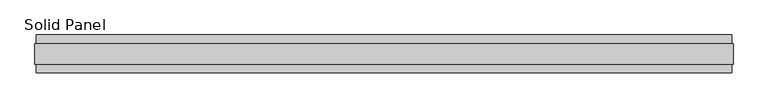
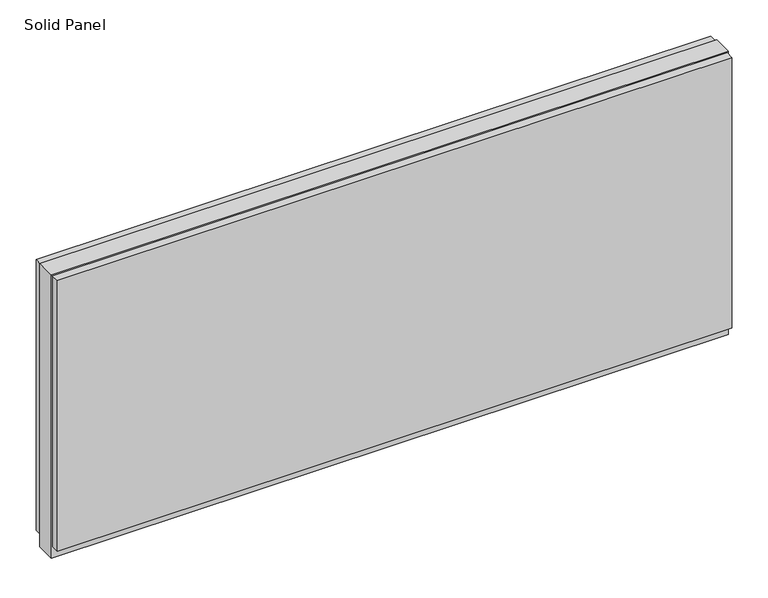
"""IFC4 building model written with IfcOpenShell, lengths in millimetres: plate geometry, Solid Panel."""

from ifc_helpers import new_model, si_unit, frame, origin, origin_with_axes, place, context, project, spatial, polyline, outline, extrude, source, transform, mapped, element, save


def solid_panel_48f7f6aa(model_context):
    return source(origin(), model_context, "Body", "SweptSolid", [
        extrude(outline(polyline([(886.5301458, -48.4531867), (-886.5301458, -48.4531867), (-886.5301458, -25.9961), (886.5301458, -25.9961), (886.5301458, -48.4531867)])), frame((0.0, 0.0, 32.004), z_axis=(0.0, 0.0, 1.0), x_axis=(1.0, 0.0, 0.0)), (0.0, 0.0, 1.0), 752.3861),
        extrude(outline(polyline([(886.5301458, 25.9977), (-886.5301458, 25.9977), (-886.5301458, 48.4547867), (886.5301458, 48.4547867), (886.5301458, 25.9977)])), frame((0.0, 0.0, 32.004), z_axis=(0.0, 0.0, 1.0), x_axis=(1.0, 0.0, 0.0)), (0.0, 0.0, 1.0), 752.3861),
        extrude(outline(polyline([(889.5273458, -25.9961), (-889.5273458, -25.9961), (-889.5273458, 25.9977), (889.5273458, 25.9977), (889.5273458, -25.9961)])), origin_with_axes(), (0.0, 0.0, 1.0), 787.4),
    ])


if __name__ == "__main__":
    model = new_model("IFC4")
    model_context = context("Model", 3, world=origin())
    ifc_project = project(units=[si_unit("LENGTHUNIT", "METRE", prefix="MILLI")], contexts=[model_context])
    site = spatial("IfcSite", under=ifc_project)
    building = spatial("IfcBuilding", under=site)
    placement = place(None, origin())
    solid_panel_shape = solid_panel_48f7f6aa(model_context)
    element("IfcPlate", 1, ObjectType="Solid Panel", at=placement, inside=building, context=model_context, shape_type="MappedRepresentation", body=[
        mapped(solid_panel_shape, transform((0.0, 0.0, 0.0), x_axis=(1.0, 0.0, 0.0), y_axis=(0.0, 1.0, 0.0), z_axis=(0.0, 0.0, 1.0))),
    ])
    save(model, "model.ifc")
